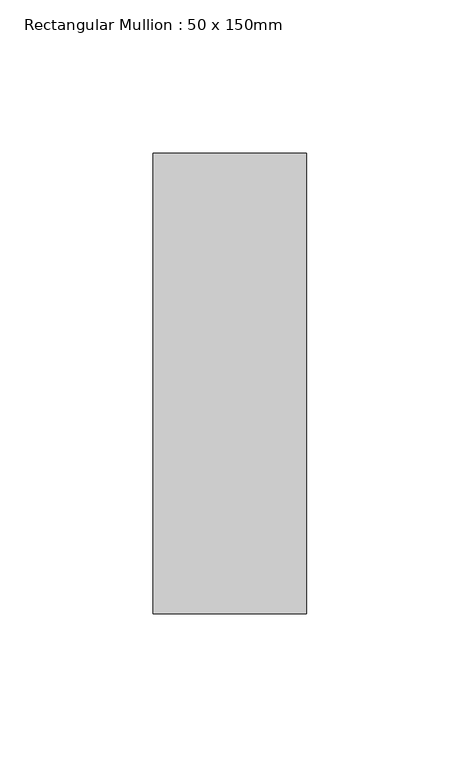
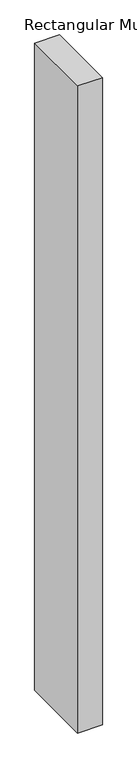
"""IFC4 building model written with IfcOpenShell, lengths in millimetres: member geometry, Rectangular Mullion : 50 x 150mm."""

from ifc_helpers import new_model, si_unit, frame, origin, place, context, project, spatial, polyline, outline, extrude, source, transform, mapped, element, save


def rectangular_mullion_50_x_150mm_dbbd8e66(model_context):
    return source(origin(), model_context, "Body", "SweptSolid", [
        extrude(outline(polyline([(0.0, 75.0), (0.0, -75.0), (-50.0, -75.0), (-50.0, 75.0), (0.0, 75.0)])), frame((0.0, 0.0, -1381.6666667), z_axis=(0.0, 0.0, 1.0), x_axis=(1.0, 0.0, 0.0)), (0.0, 0.0, 1.0), 1381.6666667),
    ])


if __name__ == "__main__":
    model = new_model("IFC4")
    model_context = context("Model", 3, world=origin())
    ifc_project = project(units=[si_unit("LENGTHUNIT", "METRE", prefix="MILLI")], contexts=[model_context])
    site = spatial("IfcSite", under=ifc_project)
    building = spatial("IfcBuilding", under=site)
    placement = place(None, origin())
    rectangular_mullion_50_x_150mm_shape = rectangular_mullion_50_x_150mm_dbbd8e66(model_context)
    element("IfcMember", 1, ObjectType="Rectangular Mullion : 50 x 150mm", at=placement, inside=building, context=model_context, shape_type="MappedRepresentation", body=[
        mapped(rectangular_mullion_50_x_150mm_shape, transform((0.0, 0.0, 0.0), x_axis=(1.0, 0.0, 0.0), y_axis=(0.0, 1.0, 0.0), z_axis=(0.0, 0.0, 1.0))),
    ])
    save(model, "model.ifc")
